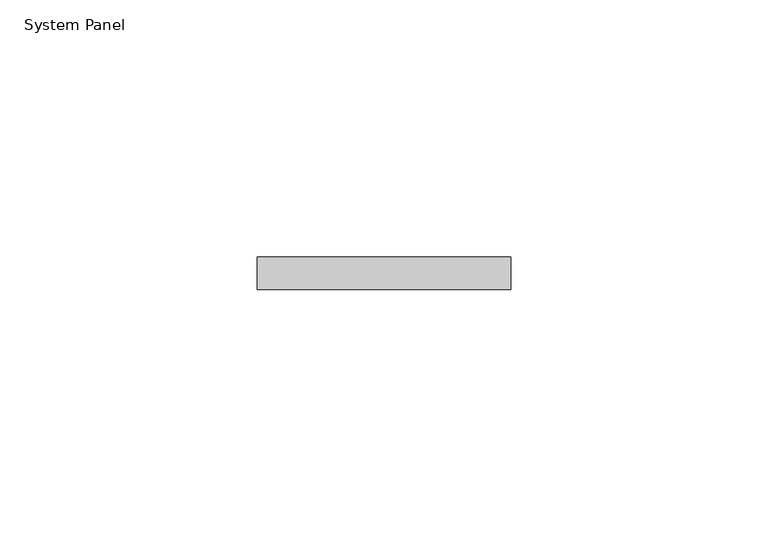
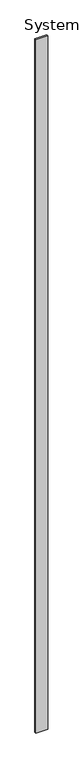
"""IFC4 building model written with IfcOpenShell, lengths in millimetres: plate geometry, System Panel."""

from ifc_helpers import new_model, si_unit, origin, origin_with_axes, place, context, project, spatial, polyline, outline, extrude, source, transform, mapped, element, save


def system_panel_b22fb3fb(model_context):
    return source(origin(), model_context, "Body", "SweptSolid", [
        extrude(outline(polyline([(24.7024825, -6.35), (-24.7024825, -6.35), (-24.7024825, 0.0), (24.7024825, 0.0), (24.7024825, -6.35)])), origin_with_axes(), (0.0, 0.0, 1.0), 3048.0),
    ])


if __name__ == "__main__":
    model = new_model("IFC4")
    model_context = context("Model", 3, world=origin())
    ifc_project = project(units=[si_unit("LENGTHUNIT", "METRE", prefix="MILLI")], contexts=[model_context])
    site = spatial("IfcSite", under=ifc_project)
    building = spatial("IfcBuilding", under=site)
    placement = place(None, origin())
    system_panel_shape = system_panel_b22fb3fb(model_context)
    element("IfcPlate", 1, ObjectType="System Panel", at=placement, inside=building, context=model_context, shape_type="MappedRepresentation", body=[
        mapped(system_panel_shape, transform((0.0, 0.0, 0.0), x_axis=(1.0, 0.0, 0.0), y_axis=(0.0, 1.0, 0.0), z_axis=(0.0, 0.0, 1.0))),
    ])
    save(model, "model.ifc")
